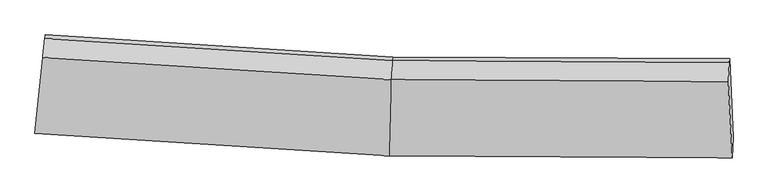
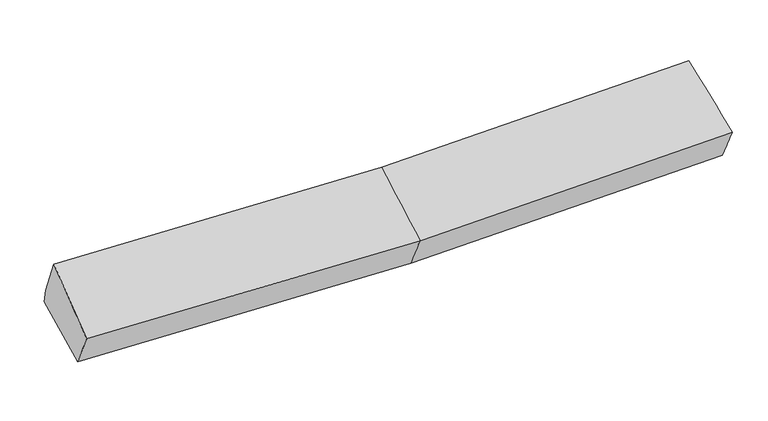
"""IFC4 building model written with IfcOpenShell, lengths in millimetres: proxy geometry."""

from ifc_helpers import new_model, si_unit, frame, origin, place, context, project, spatial, source, transform, mapped, element, save
from ifc_brep_helpers import plane_surface, spline_surface, advanced_brep


def generic_models_1c23a1f1(model_context):
    return source(origin(), model_context, "Body", "AdvancedBrep", [
        advanced_brep(
        [(-3053.1328907, -1965.4040766, 2014.0815569), (-3033.7649077, -1787.5610276, 1671.7209468), (20.8134289, -1982.0672807, 1708.2659067), (8.1280544, -2160.3611947, 2050.7048322), (-2964.7789384, -1110.8574351, 1836.9879549), (39.5019211, -1301.9701976, 1872.9434641), (-2968.7247118, -1144.8663111, 1977.888016), (35.5561478, -1335.9790736, 2013.8435252), (-2986.6038573, -1307.4097311, 2346.0715101), (22.8482544, -1498.8713898, 2382.0876227), (2944.8285771, -1352.0942043, 2075.9887936), (2937.127841, -1514.9790762, 2444.3749086), (2972.5724696, -2176.3942987, 2114.4149387), (2978.7872889, -1998.1100048, 1771.7924895), (2948.7743504, -1318.0853284, 1935.0887324)],
        [
            (0, 1),
            (1, 2),
            (2, 3),
            (3, 0),
            (1, 4),
            (4, 5),
            (5, 1),
            (4, 6),
            (6, 7),
            (7, 5),
            (6, 8),
            (8, 9),
            (9, 7),
            (8, 0),
            (3, 9),
            (10, 11),
            (11, 12),
            (12, 13),
            (13, 14),
            (14, 10),
            (5, 2),
            (9, 11),
            (10, 7),
            (3, 12),
            (2, 13),
            (5, 14),
        ],
        [
            spline_surface(1, 1, [[(-3053.1328907, -1965.4040766, 2014.0815569), (8.1280544, -2160.3611947, 2050.7048322)], [(-3033.7649077, -1787.5610276, 1671.7209468), (20.8134289, -1982.0672807, 1708.2659067)]], [2, 2], [2, 2], [0.0, 1.0], [0.0, 1.0]),
            plane_surface(frame((-2999.2719231, -1449.2092313, 1754.3544509), z_axis=(0.02655416698105572, 0.23461152159931498, -0.9717264584999198), x_axis=(0.09855138468680985, 0.9667194178417771, 0.23609572580622493))),
            plane_surface(frame((-2966.7518251, -1127.8618731, 1907.4379855), z_axis=(0.05888451916364211, 0.9700204253544173, 0.23578165280212576), x_axis=(-0.027212229945915187, -0.234543972168104, 0.9717245595645807))),
            spline_surface(1, 1, [[(-2968.7247118, -1144.8663111, 1977.888016), (35.5561478, -1335.9790736, 2013.8435252)], [(-2986.6038573, -1307.4097311, 2346.0715101), (22.8482544, -1498.8713898, 2382.0876227)]], [2, 2], [2, 2], [0.0, 1.0], [0.0, 1.0]),
            spline_surface(1, 1, [[(-2986.6038573, -1307.4097311, 2346.0715101), (22.8482544, -1498.8713898, 2382.0876227)], [(-3053.1328907, -1965.4040766, 2014.0815569), (8.1280544, -2160.3611947, 2050.7048322)]], [2, 2], [2, 2], [0.0, 1.0], [0.0, 1.0]),
            plane_surface(frame((2956.4181054, -1671.9325825, 2068.3319726), z_axis=(0.9987097552351285, 0.035315220735738125, 0.03649191667446605), x_axis=(-0.019114993948227604, -0.40431762915829955, 0.9144188710641152))),
            plane_surface(frame((-3001.4010612, -1463.2197163, 1969.3499969), z_axis=(-0.9947598298673253, 0.10218949205921757, -0.0031919578645584618), x_axis=(0.08990409926455745, 0.8891815479624473, 0.44863507185521584))),
            plane_surface(frame((-3033.7649077, -1787.5610276, 1671.7209468), z_axis=(0.026562245241426443, 0.2345649612378483, -0.9717374779678004), x_axis=(0.026697846053744204, 0.9715672614966662, 0.23525365332755066))),
            spline_surface(1, 1, [[(35.5561478, -1335.9790736, 2013.8435252), (2944.8285771, -1352.0942043, 2075.9887936)], [(22.8482544, -1498.8713898, 2382.0876227), (2937.127841, -1514.9790762, 2444.3749086)]], [2, 2], [2, 2], [0.0, 1.0], [0.0, 1.0]),
            spline_surface(1, 1, [[(22.8482544, -1498.8713898, 2382.0876227), (2937.127841, -1514.9790762, 2444.3749086)], [(8.1280544, -2160.3611947, 2050.7048322), (2972.5724696, -2176.3942987, 2114.4149387)]], [2, 2], [2, 2], [0.0, 1.0], [0.0, 1.0]),
            spline_surface(1, 1, [[(8.1280544, -2160.3611947, 2050.7048322), (2972.5724696, -2176.3942987, 2114.4149387)], [(20.8134289, -1982.0672807, 1708.2659067), (2978.7872889, -1998.1100048, 1771.7924895)]], [2, 2], [2, 2], [0.0, 1.0], [0.0, 1.0]),
            spline_surface(1, 1, [[(20.8134289, -1982.0672807, 1708.2659067), (2978.7872889, -1998.1100048, 1771.7924895)], [(39.5019211, -1301.9701976, 1872.9434641), (2948.7743504, -1318.0853284, 1935.0887324)]], [2, 2], [2, 2], [0.0, 1.0], [0.0, 1.0]),
            plane_surface(frame((37.5290345, -1318.9746356, 1943.3934946), z_axis=(0.0003724026694284406, 0.9720820971103631, 0.23464069935493082), x_axis=(-0.027212229946035282, -0.2345439721678672, 0.9717245595646345))),
        ],
        [
            (0, [[1, 2, 3, 4]]),
            (1, [[5, 6, 7]]),
            (2, [[8, 9, 10, -6]]),
            (3, [[11, 12, 13, -9]]),
            (4, [[14, -4, 15, -12]]),
            (5, [[16, 17, 18, 19, 20]]),
            (6, [[-14, -11, -8, -5, -1]]),
            (7, [[21, -2, -7]]),
            (8, [[-13, 22, -16, 23]]),
            (9, [[-15, 24, -17, -22]]),
            (10, [[-3, 25, -18, -24]]),
            (11, [[-21, 26, -19, -25]]),
            (12, [[-10, -23, -20, -26]]),
        ],
    ),
    ])


if __name__ == "__main__":
    model = new_model("IFC4")
    model_context = context("Model", 3, world=origin())
    ifc_project = project(units=[si_unit("LENGTHUNIT", "METRE", prefix="MILLI")], contexts=[model_context])
    site = spatial("IfcSite", under=ifc_project)
    building = spatial("IfcBuilding", under=site)
    placement = place(None, origin())
    generic_models_shape = generic_models_1c23a1f1(model_context)
    element("IfcBuildingElementProxy", 1, Name="Generic Models", at=placement, inside=building, context=model_context, shape_type="MappedRepresentation", body=[
        mapped(generic_models_shape, transform((0.0, 0.0, 0.0), x_axis=(1.0, 0.0, 0.0), y_axis=(0.0, 1.0, 0.0), z_axis=(0.0, 0.0, 1.0))),
    ])
    save(model, "model.ifc")
